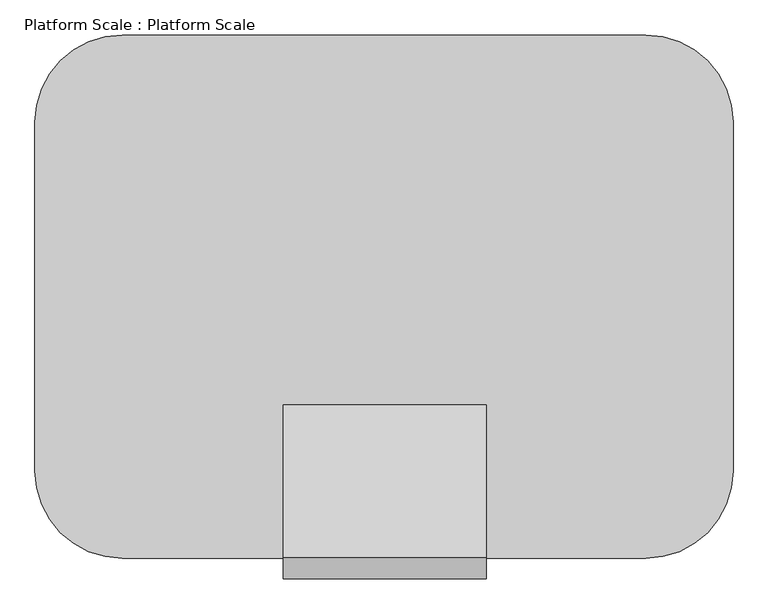
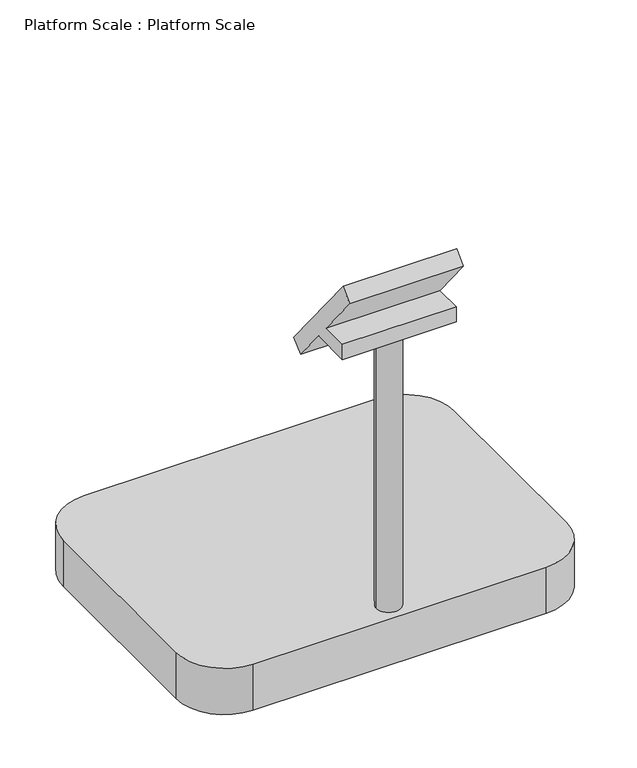
"""IFC4 building model written with IfcOpenShell, lengths in millimetres: proxy geometry, Platform Scale : Platform Scale."""

import ifcopenshell
import ifcopenshell.guid

model = None  # the IFC model being written
_history = None  # IfcOwnerHistory: only IFC2X3 demands one
_inside = {}  # id of a spatial element -> (the spatial element, [elements in it])
_under = {}  # id of a project, library or spatial element -> (it, [spatial elements below it])
_declared = {}  # id of a project -> (the project, [libraries it declares])
_typed = {}  # id of a type object -> (the type object, [elements of that type])
_made_of = {}  # id of a material, layer set ... -> (it, [elements and type objects made of it])


def new_model(schema):
    """Start an empty IFC model of exactly this schema.

    Asked for "IFC4X3", IfcOpenShell would pick the latest addendum, in which some entities
    have other attributes; the version numbers below select the first issue.
    IFC2X3 requires an IfcOwnerHistory on every rooted entity: one is made here for all.
    """
    global model, _history
    if schema == "IFC4X3":
        model = ifcopenshell.file(schema_version=(4, 3, 0, 0))
    else:
        model = ifcopenshell.file(schema=schema)
    _inside.clear()
    _under.clear()
    _declared.clear()
    _typed.clear()
    _made_of.clear()
    _history = None
    if model.schema == "IFC2X3":
        org = make("IfcOrganization", Name="unknown")
        user = make(
            "IfcPersonAndOrganization",
            ThePerson=make("IfcPerson", FamilyName="unknown"),
            TheOrganization=org,
        )
        app = make(
            "IfcApplication",
            ApplicationDeveloper=org,
            Version="unknown",
            ApplicationFullName="unknown",
            ApplicationIdentifier="unknown",
        )
        _history = make(
            "IfcOwnerHistory",
            OwningUser=user,
            OwningApplication=app,
            ChangeAction="ADDED",
            CreationDate=0,
        )
    return model


def make(cls, **values):
    """One entity of the class cls with the attributes given. An attribute that is None is left unset."""
    return model.create_entity(
        cls, **{name: value for name, value in values.items() if value is not None}
    )


def rooted(cls, **values):
    """An entity with a GlobalId (a new one), such as an element, a storey or a relation."""
    return make(cls, GlobalId=ifcopenshell.guid.new(), OwnerHistory=_history, **values)


def si_unit(unit_type, name, prefix=None):
    """IfcSIUnit, for example si_unit("LENGTHUNIT", "METRE", prefix="MILLI")."""
    return make("IfcSIUnit", UnitType=unit_type, Prefix=prefix, Name=name)


def assignment(units):
    """IfcUnitAssignment: the units of a project."""
    return None if units is None else make("IfcUnitAssignment", Units=units)


def point(xyz):
    """IfcCartesianPoint."""
    return None if xyz is None else make("IfcCartesianPoint", Coordinates=xyz)


def direction(xyz):
    """IfcDirection."""
    return None if xyz is None else make("IfcDirection", DirectionRatios=xyz)


def frame(location, z_axis=None, x_axis=None):
    """IfcAxis2Placement3D, a coordinate frame: its origin and axes. An axis left out is left unset."""
    return make(
        "IfcAxis2Placement3D",
        Location=point(location),
        Axis=direction(z_axis),
        RefDirection=direction(x_axis),
    )


def frame_2d(location, x_axis=None):
    """IfcAxis2Placement2D, a coordinate frame in the plane: its origin and x axis."""
    return make(
        "IfcAxis2Placement2D", Location=point(location), RefDirection=direction(x_axis)
    )


def origin():
    """The frame at (0, 0, 0) with its axes left unset."""
    return frame((0.0, 0.0, 0.0))


def origin_with_axes():
    """The frame at (0, 0, 0) with the z axis (0, 0, 1) and the x axis (1, 0, 0) written out."""
    return frame((0.0, 0.0, 0.0), z_axis=(0.0, 0.0, 1.0), x_axis=(1.0, 0.0, 0.0))


def place(relative_to, where):
    """IfcLocalPlacement: puts the frame where relative to a parent placement (None: the world)."""
    return make(
        "IfcLocalPlacement", PlacementRelTo=relative_to, RelativePlacement=where
    )


def context(
    kind, dimensions, precision=None, world=None, true_north=None, identifier=None
):
    """IfcGeometricRepresentationContext, for example the 3D "Model" context."""
    return make(
        "IfcGeometricRepresentationContext",
        ContextIdentifier=identifier,
        ContextType=kind,
        CoordinateSpaceDimension=dimensions,
        Precision=precision,
        WorldCoordinateSystem=world,
        TrueNorth=true_north,
    )


def project(units=None, contexts=None):
    """IfcProject with its units and contexts."""
    return rooted(
        "IfcProject",
        Name="project",
        RepresentationContexts=contexts,
        UnitsInContext=assignment(units),
    )


def spatial(cls, under=None, at=None, **own):
    """A site, building, storey or space (cls), placed at a placement, below another one or the project."""
    s = rooted(cls, ObjectPlacement=at, **own)
    if under is not None:
        _under.setdefault(under.id(), (under, []))[1].append(s)
    return s


def polyline(points):
    """IfcPolyline through the points."""
    return make("IfcPolyline", Points=[point(p) for p in points])


def circle_curve(where, radius):
    """IfcCircle in the frame where."""
    return make("IfcCircle", Position=where, Radius=radius)


def trimmed(basis, trim1, trim2, sense, master):
    """IfcTrimmedCurve: the piece of a basis curve between two trims."""
    return make(
        "IfcTrimmedCurve",
        BasisCurve=basis,
        Trim1=trim1,
        Trim2=trim2,
        SenseAgreement=sense,
        MasterRepresentation=master,
    )


def segment(curve, same_sense, transition):
    """IfcCompositeCurveSegment."""
    return make(
        "IfcCompositeCurveSegment",
        Transition=transition,
        SameSense=same_sense,
        ParentCurve=curve,
    )


def composite_curve(segments, self_intersect=None):
    """IfcCompositeCurve: segments joined end to end."""
    return make("IfcCompositeCurve", Segments=segments, SelfIntersect=self_intersect)


def outline(outer, holes=None, kind="AREA"):
    """IfcArbitraryClosedProfileDef: a profile drawn as a closed curve; with holes, ...WithVoids."""
    if holes is None:
        return make("IfcArbitraryClosedProfileDef", ProfileType=kind, OuterCurve=outer)
    return make(
        "IfcArbitraryProfileDefWithVoids",
        ProfileType=kind,
        OuterCurve=outer,
        InnerCurves=holes,
    )


def extrude(swept, where, along, depth):
    """IfcExtrudedAreaSolid: the profile swept, set in the frame where, extruded along a direction by depth."""
    return make(
        "IfcExtrudedAreaSolid",
        SweptArea=swept,
        Position=where,
        ExtrudedDirection=direction(along),
        Depth=depth,
    )


def shape(context_of_items, identifier, shape_type, items):
    """IfcShapeRepresentation: the items that make up one representation, for example the "Body"."""
    return make(
        "IfcShapeRepresentation",
        ContextOfItems=context_of_items,
        RepresentationIdentifier=identifier,
        RepresentationType=shape_type,
        Items=items,
    )


def source(mapping_origin, context_of_items, identifier, shape_type, items):
    """IfcRepresentationMap: a shape defined once, which mapped items show again and again."""
    return make(
        "IfcRepresentationMap",
        MappingOrigin=mapping_origin,
        MappedRepresentation=shape(context_of_items, identifier, shape_type, items),
    )


def transform(
    local_origin,
    x_axis=None,
    y_axis=None,
    z_axis=None,
    scale=None,
    scale2=None,
    scale3=None,
    uniform=True,
):
    """IfcCartesianTransformationOperator3D, or its non-uniform kind. x_axis, y_axis, z_axis: its Axis1, 2, 3."""
    if uniform:
        return make(
            "IfcCartesianTransformationOperator3D",
            Axis1=direction(x_axis),
            Axis2=direction(y_axis),
            LocalOrigin=point(local_origin),
            Scale=scale,
            Axis3=direction(z_axis),
        )
    return make(
        "IfcCartesianTransformationOperator3DnonUniform",
        Axis1=direction(x_axis),
        Axis2=direction(y_axis),
        LocalOrigin=point(local_origin),
        Scale=scale,
        Axis3=direction(z_axis),
        Scale2=scale2,
        Scale3=scale3,
    )


def mapped(mapping_source, mapping_target):
    """IfcMappedItem: shows the shape of a source again, moved by a transform."""
    return make(
        "IfcMappedItem", MappingSource=mapping_source, MappingTarget=mapping_target
    )


def made_of(thing, what):
    """Note that an element or type object is made of a material, layer set ...; save() writes the relation."""
    if what is not None:
        _made_of.setdefault(what.id(), (what, []))[1].append(thing)
    return thing


def element(
    cls,
    number,
    at=None,
    inside=None,
    cuts=None,
    type_object=None,
    material=None,
    context=None,
    identifier="Body",
    shape_type=None,
    held_by="IfcProductDefinitionShape",
    body=None,
    shapes=None,
    **own,
):
    """One element of the class cls, such as IfcWall. Its Tag is "e" and its number.

    at: its placement. inside: the storey or other place that contains it. cuts: it is an
    opening in that element (IfcRelVoidsElement). A single representation is given by context,
    identifier, shape_type and body (its items); several are given by shapes. held_by: the class
    of the entity that holds the representations. save() writes the other relations.
    """
    e = rooted(cls, Tag="e%d" % number, ObjectPlacement=at, **own)
    if body is not None:
        shapes = [shape(context, identifier, shape_type, body)]
    if shapes is not None:
        e.Representation = make(held_by, Representations=shapes)
    if inside is not None:
        _inside.setdefault(inside.id(), (inside, []))[1].append(e)
    if cuts is not None:
        rooted(
            "IfcRelVoidsElement", RelatingBuildingElement=cuts, RelatedOpeningElement=e
        )
    if type_object is not None:
        _typed.setdefault(type_object.id(), (type_object, []))[1].append(e)
    return made_of(e, material)


def aggregate(whole, parts):
    """IfcRelAggregates: a whole, such as a stair, and the parts it consists of."""
    return rooted("IfcRelAggregates", RelatingObject=whole, RelatedObjects=parts)


def save(model, path):
    """Write the relations noted so far, then the file.

    IfcRelAggregates (storeys below a building ...), IfcRelContainedInSpatialStructure (elements
    in a storey), IfcRelDefinesByType, IfcRelAssociatesMaterial and IfcRelDeclares: one each for
    every whole, place, type object, material and project.
    """
    for whole, parts in _under.values():
        aggregate(whole, parts)
    for where, things in _inside.values():
        rooted(
            "IfcRelContainedInSpatialStructure",
            RelatedElements=things,
            RelatingStructure=where,
        )
    for kind, things in _typed.values():
        rooted("IfcRelDefinesByType", RelatedObjects=things, RelatingType=kind)
    for what, things in _made_of.values():
        rooted("IfcRelAssociatesMaterial", RelatedObjects=things, RelatingMaterial=what)
    for by, libraries in _declared.values():
        rooted("IfcRelDeclares", RelatingContext=by, RelatedDefinitions=libraries)
    model.write(path)


def platform_scale_platform_scale_509fdf0d(model_context):
    return source(origin(), model_context, "Body", "SweptSolid", [
        extrude(outline(polyline([(267.3678863, 969.6981276), (227.8888715, 937.7286517), (131.9804439, 1056.1656962), (3.6197104, 1056.1656962), (3.6197104, 1106.9656962), (90.843415, 1106.9656962), (-35.8593044, 1263.4305241), (0.2595831, 1299.5494117), (267.3678863, 969.6981276)])), frame((433.5970816, 0.0, 0.0), z_axis=(1.0, 0.0, 0.0), x_axis=(0.0, 1.0, 0.0)), (0.0, 0.0, 1.0), 354.2429603),
        extrude(outline(composite_curve([segment(trimmed(circle_curve(frame_2d((609.6, 59.8039113)), 38.1), [point((571.5, 59.8039113))], [point((647.7, 59.8039113))], False, "CARTESIAN"), True, "CONTINUOUS"), segment(trimmed(circle_curve(frame_2d((609.6, 59.8039113)), 38.1), [point((647.7, 59.8039113))], [point((571.5, 59.8039113))], False, "CARTESIAN"), True, "CONTINUOUS")], self_intersect=False)), frame((0.0, 0.0, 152.4), z_axis=(0.0, 0.0, 1.0), x_axis=(1.0, 0.0, 0.0)), (0.0, 0.0, 1.0), 914.4),
        extrude(outline(composite_curve([segment(polyline([(1066.8, 0.0), (152.4, 0.0)]), True, "CONTINUOUS"), segment(trimmed(circle_curve(frame_2d((152.4, 152.4)), 152.4), [point((152.4, 0.0))], [point((0.0, 152.4))], False, "CARTESIAN"), True, "CONTINUOUS"), segment(polyline([(0.0, 152.4), (0.0, 762.0)]), True, "CONTINUOUS"), segment(trimmed(circle_curve(frame_2d((152.4, 762.0)), 152.4), [point((0.0, 762.0))], [point((152.4, 914.4))], False, "CARTESIAN"), True, "CONTINUOUS"), segment(polyline([(152.4, 914.4), (1066.8, 914.4)]), True, "CONTINUOUS"), segment(trimmed(circle_curve(frame_2d((1066.8, 762.0)), 152.4), [point((1066.8, 914.4))], [point((1219.2, 762.0))], False, "CARTESIAN"), True, "CONTINUOUS"), segment(polyline([(1219.2, 762.0), (1219.2, 152.4)]), True, "CONTINUOUS"), segment(trimmed(circle_curve(frame_2d((1066.8, 152.4)), 152.4), [point((1219.2, 152.4))], [point((1066.8, 0.0))], False, "CARTESIAN"), True, "CONTINUOUS")], self_intersect=False)), origin_with_axes(), (0.0, 0.0, 1.0), 152.4),
    ])


if __name__ == "__main__":
    model = new_model("IFC4")
    model_context = context("Model", 3, world=origin())
    ifc_project = project(units=[si_unit("LENGTHUNIT", "METRE", prefix="MILLI")], contexts=[model_context])
    site = spatial("IfcSite", under=ifc_project)
    building = spatial("IfcBuilding", under=site)
    placement = place(None, origin())
    platform_scale_platform_scale_shape = platform_scale_platform_scale_509fdf0d(model_context)
    element("IfcBuildingElementProxy", 1, Name="Platform Scale : Platform Scale", ObjectType="Platform Scale : Platform Scale", at=placement, inside=building, context=model_context, shape_type="MappedRepresentation", body=[
        mapped(platform_scale_platform_scale_shape, transform((0.0, 0.0, 0.0), x_axis=(1.0, 0.0, 0.0), y_axis=(0.0, 1.0, 0.0), z_axis=(0.0, 0.0, 1.0))),
    ])
    save(model, "model.ifc")
